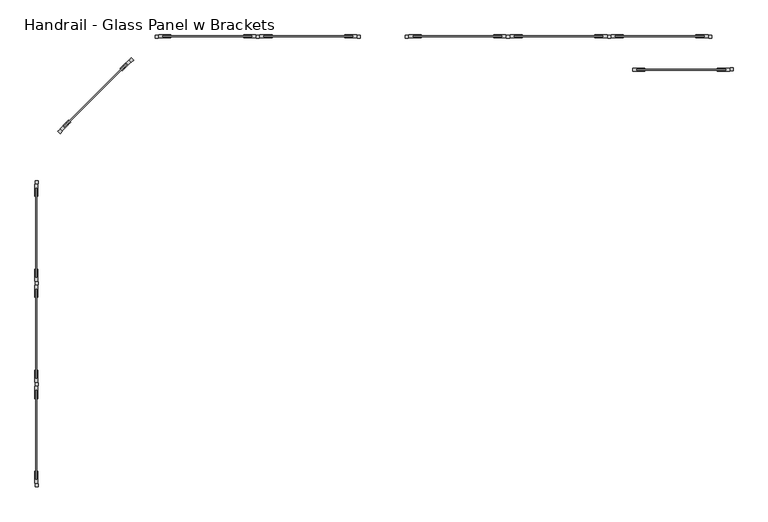
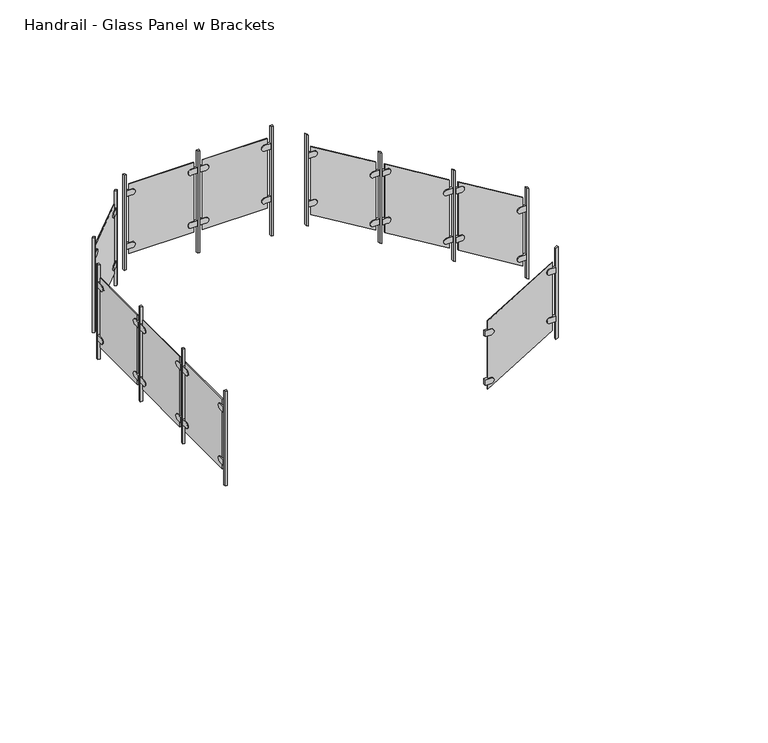
"""IFC4 building model written with IfcOpenShell, lengths in millimetres: railing geometry, Handrail - Glass Panel w Brackets."""

from ifc_helpers import new_model, si_unit, point, frame, frame_2d, origin, place, context, project, spatial, polyline, circle_curve, trimmed, segment, composite_curve, outline, extrude, source, transform, mapped, element, save


def handrail_glass_panel_w_brackets_f4bf2ac5(model_context):
    return source(origin(), model_context, "Body", "SweptSolid", [
        extrude(outline(polyline([(-5287.4266552, 6663.0086637), (-5287.4266552, 6643.9586637), (-5306.4766552, 6643.9586637), (-5306.4766552, 6663.0086637), (-5287.4266552, 6663.0086637)])), frame((0.0, 0.0, 3211.7376169), z_axis=(0.0, 0.0, 1.0), x_axis=(1.0, 0.0, 0.0)), (0.0, 0.0, 1.0), 863.6),
        extrude(outline(composite_curve([segment(trimmed(circle_curve(frame_2d((6716.9836637, 3897.5376169)), 25.4), [point((6716.9836637, 3922.9376169))], [point((6716.9836637, 3872.1376169))], False, "CARTESIAN"), True, "CONTINUOUS"), segment(polyline([(6716.9836637, 3872.1376169), (6666.1836637, 3872.1376169), (6666.1836637, 3922.9376169), (6716.9836637, 3922.9376169)]), True, "CONTINUOUS")], self_intersect=False)), frame((-5309.6516552, 0.0, 0.0), z_axis=(1.0, 0.0, 0.0), x_axis=(0.0, 1.0, 0.0)), (0.0, 0.0, 1.0), 19.05),
        extrude(outline(composite_curve([segment(polyline([(7224.9836637, 3922.9376169), (7275.7836637, 3922.9376169), (7275.7836637, 3872.1376169), (7224.9836637, 3872.1376169)]), True, "CONTINUOUS"), segment(trimmed(circle_curve(frame_2d((7224.9836637, 3897.5376169)), 25.4), [point((7224.9836637, 3872.1376169))], [point((7224.9836637, 3922.9376169))], False, "CARTESIAN"), True, "CONTINUOUS")], self_intersect=False)), frame((-5309.6516552, 0.0, 0.0), z_axis=(1.0, 0.0, 0.0), x_axis=(0.0, 1.0, 0.0)), (0.0, 0.0, 1.0), 19.05),
        extrude(outline(composite_curve([segment(trimmed(circle_curve(frame_2d((6716.9836637, 3414.9376169)), 25.4), [point((6716.9836637, 3440.3376169))], [point((6716.9836637, 3389.5376169))], False, "CARTESIAN"), True, "CONTINUOUS"), segment(polyline([(6716.9836637, 3389.5376169), (6666.1836637, 3389.5376169), (6666.1836637, 3440.3376169), (6716.9836637, 3440.3376169)]), True, "CONTINUOUS")], self_intersect=False)), frame((-5309.6516552, 0.0, 0.0), z_axis=(1.0, 0.0, 0.0), x_axis=(0.0, 1.0, 0.0)), (0.0, 0.0, 1.0), 19.05),
        extrude(outline(composite_curve([segment(polyline([(7224.9836637, 3440.3376169), (7275.7836637, 3440.3376169), (7275.7836637, 3389.5376169), (7224.9836637, 3389.5376169)]), True, "CONTINUOUS"), segment(trimmed(circle_curve(frame_2d((7224.9836637, 3414.9376169)), 25.4), [point((7224.9836637, 3389.5376169))], [point((7224.9836637, 3440.3376169))], False, "CARTESIAN"), True, "CONTINUOUS")], self_intersect=False)), frame((-5309.6516552, 0.0, 0.0), z_axis=(1.0, 0.0, 0.0), x_axis=(0.0, 1.0, 0.0)), (0.0, 0.0, 1.0), 19.05),
        extrude(outline(polyline([(-5303.3016552, 7250.3836637), (-5296.9516552, 7250.3836637), (-5296.9516552, 6691.5836637), (-5303.3016552, 6691.5836637), (-5303.3016552, 7250.3836637)])), frame((0.0, 0.0, 3338.7376169), z_axis=(0.0, 0.0, 1.0), x_axis=(1.0, 0.0, 0.0)), (0.0, 0.0, 1.0), 635.0),
        extrude(outline(polyline([(-5287.4266552, 7298.0086637), (-5287.4266552, 7278.9586637), (-5306.4766552, 7278.9586637), (-5306.4766552, 7298.0086637), (-5287.4266552, 7298.0086637)])), frame((0.0, 0.0, 3211.7376169), z_axis=(0.0, 0.0, 1.0), x_axis=(1.0, 0.0, 0.0)), (0.0, 0.0, 1.0), 863.6),
        extrude(outline(composite_curve([segment(trimmed(circle_curve(frame_2d((7351.9836637, 3897.5376169)), 25.4), [point((7351.9836637, 3922.9376169))], [point((7351.9836637, 3872.1376169))], False, "CARTESIAN"), True, "CONTINUOUS"), segment(polyline([(7351.9836637, 3872.1376169), (7301.1836637, 3872.1376169), (7301.1836637, 3922.9376169), (7351.9836637, 3922.9376169)]), True, "CONTINUOUS")], self_intersect=False)), frame((-5309.6516552, 0.0, 0.0), z_axis=(1.0, 0.0, 0.0), x_axis=(0.0, 1.0, 0.0)), (0.0, 0.0, 1.0), 19.05),
        extrude(outline(composite_curve([segment(polyline([(7859.9836637, 3922.9376169), (7910.7836637, 3922.9376169), (7910.7836637, 3872.1376169), (7859.9836637, 3872.1376169)]), True, "CONTINUOUS"), segment(trimmed(circle_curve(frame_2d((7859.9836637, 3897.5376169)), 25.4), [point((7859.9836637, 3872.1376169))], [point((7859.9836637, 3922.9376169))], False, "CARTESIAN"), True, "CONTINUOUS")], self_intersect=False)), frame((-5309.6516552, 0.0, 0.0), z_axis=(1.0, 0.0, 0.0), x_axis=(0.0, 1.0, 0.0)), (0.0, 0.0, 1.0), 19.05),
        extrude(outline(composite_curve([segment(trimmed(circle_curve(frame_2d((7351.9836637, 3414.9376169)), 25.4), [point((7351.9836637, 3440.3376169))], [point((7351.9836637, 3389.5376169))], False, "CARTESIAN"), True, "CONTINUOUS"), segment(polyline([(7351.9836637, 3389.5376169), (7301.1836637, 3389.5376169), (7301.1836637, 3440.3376169), (7351.9836637, 3440.3376169)]), True, "CONTINUOUS")], self_intersect=False)), frame((-5309.6516552, 0.0, 0.0), z_axis=(1.0, 0.0, 0.0), x_axis=(0.0, 1.0, 0.0)), (0.0, 0.0, 1.0), 19.05),
        extrude(outline(composite_curve([segment(polyline([(7859.9836637, 3440.3376169), (7910.7836637, 3440.3376169), (7910.7836637, 3389.5376169), (7859.9836637, 3389.5376169)]), True, "CONTINUOUS"), segment(trimmed(circle_curve(frame_2d((7859.9836637, 3414.9376169)), 25.4), [point((7859.9836637, 3389.5376169))], [point((7859.9836637, 3440.3376169))], False, "CARTESIAN"), True, "CONTINUOUS")], self_intersect=False)), frame((-5309.6516552, 0.0, 0.0), z_axis=(1.0, 0.0, 0.0), x_axis=(0.0, 1.0, 0.0)), (0.0, 0.0, 1.0), 19.05),
        extrude(outline(polyline([(-5303.3016552, 7885.3836637), (-5296.9516552, 7885.3836637), (-5296.9516552, 7326.5836637), (-5303.3016552, 7326.5836637), (-5303.3016552, 7885.3836637)])), frame((0.0, 0.0, 3338.7376169), z_axis=(0.0, 0.0, 1.0), x_axis=(1.0, 0.0, 0.0)), (0.0, 0.0, 1.0), 635.0),
        extrude(outline(polyline([(-5287.4266552, 7933.0086637), (-5287.4266552, 7913.9586637), (-5306.4766552, 7913.9586637), (-5306.4766552, 7933.0086637), (-5287.4266552, 7933.0086637)])), frame((0.0, 0.0, 3211.7376169), z_axis=(0.0, 0.0, 1.0), x_axis=(1.0, 0.0, 0.0)), (0.0, 0.0, 1.0), 863.6),
        extrude(outline(composite_curve([segment(trimmed(circle_curve(frame_2d((7986.9836637, 3897.5376169)), 25.4), [point((7986.9836637, 3922.9376169))], [point((7986.9836637, 3872.1376169))], False, "CARTESIAN"), True, "CONTINUOUS"), segment(polyline([(7986.9836637, 3872.1376169), (7936.1836637, 3872.1376169), (7936.1836637, 3922.9376169), (7986.9836637, 3922.9376169)]), True, "CONTINUOUS")], self_intersect=False)), frame((-5309.6516552, 0.0, 0.0), z_axis=(1.0, 0.0, 0.0), x_axis=(0.0, 1.0, 0.0)), (0.0, 0.0, 1.0), 19.05),
        extrude(outline(composite_curve([segment(polyline([(8494.9836637, 3922.9376169), (8545.7836637, 3922.9376169), (8545.7836637, 3872.1376169), (8494.9836637, 3872.1376169)]), True, "CONTINUOUS"), segment(trimmed(circle_curve(frame_2d((8494.9836637, 3897.5376169)), 25.4), [point((8494.9836637, 3872.1376169))], [point((8494.9836637, 3922.9376169))], False, "CARTESIAN"), True, "CONTINUOUS")], self_intersect=False)), frame((-5309.6516552, 0.0, 0.0), z_axis=(1.0, 0.0, 0.0), x_axis=(0.0, 1.0, 0.0)), (0.0, 0.0, 1.0), 19.05),
        extrude(outline(composite_curve([segment(trimmed(circle_curve(frame_2d((7986.9836637, 3414.9376169)), 25.4), [point((7986.9836637, 3440.3376169))], [point((7986.9836637, 3389.5376169))], False, "CARTESIAN"), True, "CONTINUOUS"), segment(polyline([(7986.9836637, 3389.5376169), (7936.1836637, 3389.5376169), (7936.1836637, 3440.3376169), (7986.9836637, 3440.3376169)]), True, "CONTINUOUS")], self_intersect=False)), frame((-5309.6516552, 0.0, 0.0), z_axis=(1.0, 0.0, 0.0), x_axis=(0.0, 1.0, 0.0)), (0.0, 0.0, 1.0), 19.05),
        extrude(outline(composite_curve([segment(polyline([(8494.9836637, 3440.3376169), (8545.7836637, 3440.3376169), (8545.7836637, 3389.5376169), (8494.9836637, 3389.5376169)]), True, "CONTINUOUS"), segment(trimmed(circle_curve(frame_2d((8494.9836637, 3414.9376169)), 25.4), [point((8494.9836637, 3389.5376169))], [point((8494.9836637, 3440.3376169))], False, "CARTESIAN"), True, "CONTINUOUS")], self_intersect=False)), frame((-5309.6516552, 0.0, 0.0), z_axis=(1.0, 0.0, 0.0), x_axis=(0.0, 1.0, 0.0)), (0.0, 0.0, 1.0), 19.05),
        extrude(outline(polyline([(-5303.3016552, 8520.3836637), (-5296.9516552, 8520.3836637), (-5296.9516552, 7961.5836637), (-5303.3016552, 7961.5836637), (-5303.3016552, 8520.3836637)])), frame((0.0, 0.0, 3338.7376169), z_axis=(0.0, 0.0, 1.0), x_axis=(1.0, 0.0, 0.0)), (0.0, 0.0, 1.0), 635.0),
        extrude(outline(polyline([(-5287.4266552, 8568.0086637), (-5287.4266552, 8548.9586637), (-5306.4766552, 8548.9586637), (-5306.4766552, 8568.0086637), (-5287.4266552, 8568.0086637)])), frame((0.0, 0.0, 3211.7376169), z_axis=(0.0, 0.0, 1.0), x_axis=(1.0, 0.0, 0.0)), (0.0, 0.0, 1.0), 863.6),
        extrude(outline(polyline([(-5138.3024485, 8877.7856075), (-5151.7728327, 8864.3152233), (-5165.2432169, 8877.7856075), (-5151.7728327, 8891.2559917), (-5138.3024485, 8877.7856075)])), frame((0.0, 0.0, 3211.7376169), z_axis=(0.0, 0.0, 1.0), x_axis=(1.0, 0.0, 0.0)), (0.0, 0.0, 1.0), 863.6),
        extrude(outline(composite_curve([segment(polyline([(50.8, 0.0), (0.0, 0.0), (0.0, 50.8), (50.8, 50.8)]), True, "CONTINUOUS"), segment(trimmed(circle_curve(frame_2d((50.8, 25.4)), 25.4), [point((50.8, 50.8))], [point((50.8, 0.0))], False, "CARTESIAN"), True, "CONTINUOUS")], self_intersect=False)), frame((-5138.3024485, 8882.2757355, 3922.9376169), z_axis=(-0.7071067811865468, 0.7071067811865482, 0.0), x_axis=(0.7071067811865482, 0.7071067811865468, 0.0)), (0.0, 0.0, 1.0), 19.05),
        extrude(outline(composite_curve([segment(trimmed(circle_curve(frame_2d((0.0, 25.4)), 25.4), [point((-25.4, 25.4))], [point((25.4, 25.4))], False, "CARTESIAN"), True, "CONTINUOUS"), segment(polyline([(25.4, 25.4), (25.4, -25.3999999), (-25.4, -25.3999999), (-25.4, 25.4)]), True, "CONTINUOUS")], self_intersect=False)), frame((-4725.2106669, 9295.3675171, 3897.5376169), z_axis=(-0.7071067811865468, 0.7071067811865482, 0.0), x_axis=(0.0, 0.0, -1.0)), (0.0, 0.0, 1.0), 19.05),
        extrude(outline(composite_curve([segment(polyline([(50.8, 0.0), (0.0, 0.0), (0.0, 50.8), (50.8, 50.8)]), True, "CONTINUOUS"), segment(trimmed(circle_curve(frame_2d((50.8, 25.4)), 25.4), [point((50.8, 50.8))], [point((50.8, 0.0))], False, "CARTESIAN"), True, "CONTINUOUS")], self_intersect=False)), frame((-5138.3024485, 8882.2757355, 3440.3376169), z_axis=(-0.7071067811865468, 0.7071067811865482, 0.0), x_axis=(0.7071067811865482, 0.7071067811865468, 0.0)), (0.0, 0.0, 1.0), 19.05),
        extrude(outline(composite_curve([segment(trimmed(circle_curve(frame_2d((0.0, 25.4)), 25.4), [point((-25.4, 25.4))], [point((25.4, 25.4))], False, "CARTESIAN"), True, "CONTINUOUS"), segment(polyline([(25.4, 25.4), (25.4, -25.3999999), (-25.4, -25.3999999), (-25.4, 25.4)]), True, "CONTINUOUS")], self_intersect=False)), frame((-4725.2106669, 9295.3675171, 3414.9376169), z_axis=(-0.7071067811865468, 0.7071067811865482, 0.0), x_axis=(0.0, 0.0, -1.0)), (0.0, 0.0, 1.0), 19.05),
        extrude(outline(polyline([(-4734.1909231, 9304.3477732), (-4729.700795, 9299.8576452), (-5124.8320643, 8904.7263758), (-5129.3221924, 8909.2165039), (-4734.1909231, 9304.3477732)])), frame((0.0, 0.0, 3338.7376169), z_axis=(0.0, 0.0, 1.0), x_axis=(1.0, 0.0, 0.0)), (0.0, 0.0, 1.0), 635.0),
        extrude(outline(polyline([(-4689.2896424, 9326.7984135), (-4702.7600266, 9313.3280293), (-4716.2304108, 9326.7984135), (-4702.7600266, 9340.2687977), (-4689.2896424, 9326.7984135)])), frame((0.0, 0.0, 3211.7376169), z_axis=(0.0, 0.0, 1.0), x_axis=(1.0, 0.0, 0.0)), (0.0, 0.0, 1.0), 863.6),
        extrude(outline(polyline([(-4533.7124636, 9462.452236), (-4552.7624636, 9462.452236), (-4552.7624636, 9481.502236), (-4533.7124636, 9481.502236), (-4533.7124636, 9462.452236)])), frame((0.0, 0.0, 3209.1598276), z_axis=(0.0, 0.0, 1.0), x_axis=(1.0, 0.0, 0.0)), (0.0, 0.0, 1.0), 866.1777892),
        extrude(outline(composite_curve([segment(polyline([(3922.9376169, -4479.7374636), (3922.9376169, -4530.5374636), (3872.1376169, -4530.5374636), (3872.1376169, -4479.7374636)]), True, "CONTINUOUS"), segment(trimmed(circle_curve(frame_2d((3897.5376169, -4479.7374636)), 25.4), [point((3872.1376169, -4479.7374636))], [point((3922.9376169, -4479.7374636))], False, "CARTESIAN"), True, "CONTINUOUS")], self_intersect=False)), frame((0.0, 9465.627236, 0.0), z_axis=(0.0, 1.0, 0.0), x_axis=(0.0, 0.0, 1.0)), (0.0, 0.0, 1.0), 19.05),
        extrude(outline(composite_curve([segment(trimmed(circle_curve(frame_2d((3897.5376169, -3971.7374636)), 25.4), [point((3922.9376169, -3971.7374636))], [point((3872.1376169, -3971.7374636))], False, "CARTESIAN"), True, "CONTINUOUS"), segment(polyline([(3872.1376169, -3971.7374636), (3872.1376169, -3920.9374636), (3922.9376169, -3920.9374636), (3922.9376169, -3971.7374636)]), True, "CONTINUOUS")], self_intersect=False)), frame((0.0, 9465.627236, 0.0), z_axis=(0.0, 1.0, 0.0), x_axis=(0.0, 0.0, 1.0)), (0.0, 0.0, 1.0), 19.05),
        extrude(outline(composite_curve([segment(polyline([(3440.3376169, -4479.7374636), (3440.3376169, -4530.5374636), (3389.5376169, -4530.5374636), (3389.5376169, -4479.7374636)]), True, "CONTINUOUS"), segment(trimmed(circle_curve(frame_2d((3414.9376169, -4479.7374636)), 25.4), [point((3389.5376169, -4479.7374636))], [point((3440.3376169, -4479.7374636))], False, "CARTESIAN"), True, "CONTINUOUS")], self_intersect=False)), frame((0.0, 9465.627236, 0.0), z_axis=(0.0, 1.0, 0.0), x_axis=(0.0, 0.0, 1.0)), (0.0, 0.0, 1.0), 19.05),
        extrude(outline(composite_curve([segment(trimmed(circle_curve(frame_2d((3414.9376169, -3971.7374636)), 25.4), [point((3440.3376169, -3971.7374636))], [point((3389.5376169, -3971.7374636))], False, "CARTESIAN"), True, "CONTINUOUS"), segment(polyline([(3389.5376169, -3971.7374636), (3389.5376169, -3920.9374636), (3440.3376169, -3920.9374636), (3440.3376169, -3971.7374636)]), True, "CONTINUOUS")], self_intersect=False)), frame((0.0, 9465.627236, 0.0), z_axis=(0.0, 1.0, 0.0), x_axis=(0.0, 0.0, 1.0)), (0.0, 0.0, 1.0), 19.05),
        extrude(outline(polyline([(-3946.3374636, 9478.327236), (-3946.3374636, 9471.977236), (-4505.1374636, 9471.977236), (-4505.1374636, 9478.327236), (-3946.3374636, 9478.327236)])), frame((0.0, 0.0, 3338.7376169), z_axis=(0.0, 0.0, 1.0), x_axis=(1.0, 0.0, 0.0)), (0.0, 0.0, 1.0), 635.0),
        extrude(outline(polyline([(-3898.7124636, 9462.452236), (-3917.7624636, 9462.452236), (-3917.7624636, 9481.502236), (-3898.7124636, 9481.502236), (-3898.7124636, 9462.452236)])), frame((0.0, 0.0, 3143.3278694), z_axis=(0.0, 0.0, 1.0), x_axis=(1.0, 0.0, 0.0)), (0.0, 0.0, 1.0), 932.0097474),
        extrude(outline(composite_curve([segment(polyline([(3922.9376169, -3844.7374636), (3922.9376169, -3895.5374636), (3872.1376169, -3895.5374636), (3872.1376169, -3844.7374636)]), True, "CONTINUOUS"), segment(trimmed(circle_curve(frame_2d((3897.5376169, -3844.7374636)), 25.4), [point((3872.1376169, -3844.7374636))], [point((3922.9376169, -3844.7374636))], False, "CARTESIAN"), True, "CONTINUOUS")], self_intersect=False)), frame((0.0, 9465.627236, 0.0), z_axis=(0.0, 1.0, 0.0), x_axis=(0.0, 0.0, 1.0)), (0.0, 0.0, 1.0), 19.05),
        extrude(outline(composite_curve([segment(trimmed(circle_curve(frame_2d((3897.5376169, -3336.7374636)), 25.4), [point((3922.9376169, -3336.7374636))], [point((3872.1376169, -3336.7374636))], False, "CARTESIAN"), True, "CONTINUOUS"), segment(polyline([(3872.1376169, -3336.7374636), (3872.1376169, -3285.9374636), (3922.9376169, -3285.9374636), (3922.9376169, -3336.7374636)]), True, "CONTINUOUS")], self_intersect=False)), frame((0.0, 9465.627236, 0.0), z_axis=(0.0, 1.0, 0.0), x_axis=(0.0, 0.0, 1.0)), (0.0, 0.0, 1.0), 19.05),
        extrude(outline(composite_curve([segment(polyline([(3440.3376169, -3844.7374636), (3440.3376169, -3895.5374636), (3389.5376169, -3895.5374636), (3389.5376169, -3844.7374636)]), True, "CONTINUOUS"), segment(trimmed(circle_curve(frame_2d((3414.9376169, -3844.7374636)), 25.4), [point((3389.5376169, -3844.7374636))], [point((3440.3376169, -3844.7374636))], False, "CARTESIAN"), True, "CONTINUOUS")], self_intersect=False)), frame((0.0, 9465.627236, 0.0), z_axis=(0.0, 1.0, 0.0), x_axis=(0.0, 0.0, 1.0)), (0.0, 0.0, 1.0), 19.05),
        extrude(outline(composite_curve([segment(trimmed(circle_curve(frame_2d((3414.9376169, -3336.7374636)), 25.4), [point((3440.3376169, -3336.7374636))], [point((3389.5376169, -3336.7374636))], False, "CARTESIAN"), True, "CONTINUOUS"), segment(polyline([(3389.5376169, -3336.7374636), (3389.5376169, -3285.9374636), (3440.3376169, -3285.9374636), (3440.3376169, -3336.7374636)]), True, "CONTINUOUS")], self_intersect=False)), frame((0.0, 9465.627236, 0.0), z_axis=(0.0, 1.0, 0.0), x_axis=(0.0, 0.0, 1.0)), (0.0, 0.0, 1.0), 19.05),
        extrude(outline(polyline([(-3311.3374636, 9478.327236), (-3311.3374636, 9471.977236), (-3870.1374636, 9471.977236), (-3870.1374636, 9478.327236), (-3311.3374636, 9478.327236)])), frame((0.0, 0.0, 3338.7376169), z_axis=(0.0, 0.0, 1.0), x_axis=(1.0, 0.0, 0.0)), (0.0, 0.0, 1.0), 635.0),
        extrude(outline(polyline([(-3263.7124636, 9462.452236), (-3282.7624636, 9462.452236), (-3282.7624636, 9481.502236), (-3263.7124636, 9481.502236), (-3263.7124636, 9462.452236)])), frame((0.0, 0.0, 3077.4959113), z_axis=(0.0, 0.0, 1.0), x_axis=(1.0, 0.0, 0.0)), (0.0, 0.0, 1.0), 997.8417056),
        extrude(outline(polyline([(3898.2764391, -2980.9351891), (3069.9753322, -2980.9351891), (3058.4298777, -2961.8851891), (3886.7309846, -2961.8851891), (3898.2764391, -2980.9351891)])), frame((0.0, 9462.452236, 0.0), z_axis=(0.0, 1.0, 0.0), x_axis=(0.0, 0.0, 1.0)), (0.0, 0.0, 1.0), 19.05),
        extrude(outline(composite_curve([segment(polyline([(3719.5045517, -2907.9101891), (3719.5045517, -2958.7101891), (3668.7045517, -2958.7101891), (3668.7045517, -2907.9101891)]), True, "CONTINUOUS"), segment(trimmed(circle_curve(frame_2d((3694.1045517, -2907.9101891)), 25.4), [point((3668.7045517, -2907.9101891))], [point((3719.5045517, -2907.9101891))], False, "CARTESIAN"), True, "CONTINUOUS")], self_intersect=False)), frame((0.0, 9465.627236, 0.0), z_axis=(0.0, 1.0, 0.0), x_axis=(0.0, 0.0, 1.0)), (0.0, 0.0, 1.0), 19.05),
        extrude(outline(composite_curve([segment(trimmed(circle_curve(frame_2d((3324.6500063, -2399.9101891)), 25.4), [point((3350.0500063, -2399.9101891))], [point((3299.2500063, -2399.9101891))], False, "CARTESIAN"), True, "CONTINUOUS"), segment(polyline([(3299.2500063, -2399.9101891), (3299.2500063, -2349.1101891), (3350.0500063, -2349.1101891), (3350.0500063, -2399.9101891)]), True, "CONTINUOUS")], self_intersect=False)), frame((0.0, 9465.627236, 0.0), z_axis=(0.0, 1.0, 0.0), x_axis=(0.0, 0.0, 1.0)), (0.0, 0.0, 1.0), 19.05),
        extrude(outline(composite_curve([segment(polyline([(3275.6111229, -2907.9101891), (3275.6111229, -2958.7101891), (3224.8111229, -2958.7101891), (3224.8111229, -2907.9101891)]), True, "CONTINUOUS"), segment(trimmed(circle_curve(frame_2d((3250.2111229, -2907.9101891)), 25.4), [point((3224.8111229, -2907.9101891))], [point((3275.6111229, -2907.9101891))], False, "CARTESIAN"), True, "CONTINUOUS")], self_intersect=False)), frame((0.0, 9465.627236, 0.0), z_axis=(0.0, 1.0, 0.0), x_axis=(0.0, 0.0, 1.0)), (0.0, 0.0, 1.0), 19.05),
        extrude(outline(composite_curve([segment(trimmed(circle_curve(frame_2d((2880.7565774, -2399.9101891)), 25.4), [point((2906.1565774, -2399.9101891))], [point((2855.3565774, -2399.9101891))], False, "CARTESIAN"), True, "CONTINUOUS"), segment(polyline([(2855.3565774, -2399.9101891), (2855.3565774, -2349.1101891), (2906.1565774, -2349.1101891), (2906.1565774, -2399.9101891)]), True, "CONTINUOUS")], self_intersect=False)), frame((0.0, 9465.627236, 0.0), z_axis=(0.0, 1.0, 0.0), x_axis=(0.0, 0.0, 1.0)), (0.0, 0.0, 1.0), 19.05),
        extrude(outline(polyline([(3429.1461361, -2374.5101891), (3767.8128027, -2933.3101891), (3145.7149931, -2933.3101891), (2807.0483264, -2374.5101891), (3429.1461361, -2374.5101891)])), frame((0.0, 9471.977236, 0.0), z_axis=(0.0, 1.0, 0.0), x_axis=(0.0, 0.0, 1.0)), (0.0, 0.0, 1.0), 6.35),
        extrude(outline(polyline([(3513.4279543, -2345.9351891), (2685.1268474, -2345.9351891), (2673.5813928, -2326.8851891), (3501.8824997, -2326.8851891), (3513.4279543, -2345.9351891)])), frame((0.0, 9462.452236, 0.0), z_axis=(0.0, 1.0, 0.0), x_axis=(0.0, 0.0, 1.0)), (0.0, 0.0, 1.0), 19.05),
        extrude(outline(composite_curve([segment(polyline([(3334.6560669, -2272.9101891), (3334.6560669, -2323.7101891), (3283.8560669, -2323.7101891), (3283.8560669, -2272.9101891)]), True, "CONTINUOUS"), segment(trimmed(circle_curve(frame_2d((3309.2560669, -2272.9101891)), 25.4), [point((3283.8560669, -2272.9101891))], [point((3334.6560669, -2272.9101891))], False, "CARTESIAN"), True, "CONTINUOUS")], self_intersect=False)), frame((0.0, 9465.627236, 0.0), z_axis=(0.0, 1.0, 0.0), x_axis=(0.0, 0.0, 1.0)), (0.0, 0.0, 1.0), 19.05),
        extrude(outline(composite_curve([segment(trimmed(circle_curve(frame_2d((2939.8015214, -1764.9101891)), 25.4), [point((2965.2015214, -1764.9101891))], [point((2914.4015214, -1764.9101891))], False, "CARTESIAN"), True, "CONTINUOUS"), segment(polyline([(2914.4015214, -1764.9101891), (2914.4015214, -1714.1101891), (2965.2015214, -1714.1101891), (2965.2015214, -1764.9101891)]), True, "CONTINUOUS")], self_intersect=False)), frame((0.0, 9465.627236, 0.0), z_axis=(0.0, 1.0, 0.0), x_axis=(0.0, 0.0, 1.0)), (0.0, 0.0, 1.0), 19.05),
        extrude(outline(composite_curve([segment(polyline([(2890.762638, -2272.9101891), (2890.762638, -2323.7101891), (2839.962638, -2323.7101891), (2839.962638, -2272.9101891)]), True, "CONTINUOUS"), segment(trimmed(circle_curve(frame_2d((2865.362638, -2272.9101891)), 25.4), [point((2839.962638, -2272.9101891))], [point((2890.762638, -2272.9101891))], False, "CARTESIAN"), True, "CONTINUOUS")], self_intersect=False)), frame((0.0, 9465.627236, 0.0), z_axis=(0.0, 1.0, 0.0), x_axis=(0.0, 0.0, 1.0)), (0.0, 0.0, 1.0), 19.05),
        extrude(outline(composite_curve([segment(trimmed(circle_curve(frame_2d((2495.9080926, -1764.9101891)), 25.4), [point((2521.3080926, -1764.9101891))], [point((2470.5080926, -1764.9101891))], False, "CARTESIAN"), True, "CONTINUOUS"), segment(polyline([(2470.5080926, -1764.9101891), (2470.5080926, -1714.1101891), (2521.3080926, -1714.1101891), (2521.3080926, -1764.9101891)]), True, "CONTINUOUS")], self_intersect=False)), frame((0.0, 9465.627236, 0.0), z_axis=(0.0, 1.0, 0.0), x_axis=(0.0, 0.0, 1.0)), (0.0, 0.0, 1.0), 19.05),
        extrude(outline(polyline([(3044.2976512, -1739.5101891), (3382.9643179, -2298.3101891), (2760.8665083, -2298.3101891), (2422.1998416, -1739.5101891), (3044.2976512, -1739.5101891)])), frame((0.0, 9471.977236, 0.0), z_axis=(0.0, 1.0, 0.0), x_axis=(0.0, 0.0, 1.0)), (0.0, 0.0, 1.0), 6.35),
        extrude(outline(polyline([(3128.5794694, -1710.9351891), (2300.2783625, -1710.9351891), (2288.732908, -1691.8851891), (3117.0340149, -1691.8851891), (3128.5794694, -1710.9351891)])), frame((0.0, 9462.452236, 0.0), z_axis=(0.0, 1.0, 0.0), x_axis=(0.0, 0.0, 1.0)), (0.0, 0.0, 1.0), 19.05),
        extrude(outline(composite_curve([segment(polyline([(2949.8075821, -1637.9101891), (2949.8075821, -1688.7101891), (2899.0075821, -1688.7101891), (2899.0075821, -1637.9101891)]), True, "CONTINUOUS"), segment(trimmed(circle_curve(frame_2d((2924.4075821, -1637.9101891)), 25.4), [point((2899.0075821, -1637.9101891))], [point((2949.8075821, -1637.9101891))], False, "CARTESIAN"), True, "CONTINUOUS")], self_intersect=False)), frame((0.0, 9465.627236, 0.0), z_axis=(0.0, 1.0, 0.0), x_axis=(0.0, 0.0, 1.0)), (0.0, 0.0, 1.0), 19.05),
        extrude(outline(composite_curve([segment(trimmed(circle_curve(frame_2d((2554.9530366, -1129.9101891)), 25.4), [point((2580.3530366, -1129.9101891))], [point((2529.5530366, -1129.9101891))], False, "CARTESIAN"), True, "CONTINUOUS"), segment(polyline([(2529.5530366, -1129.9101891), (2529.5530366, -1079.1101891), (2580.3530366, -1079.1101891), (2580.3530366, -1129.9101891)]), True, "CONTINUOUS")], self_intersect=False)), frame((0.0, 9465.627236, 0.0), z_axis=(0.0, 1.0, 0.0), x_axis=(0.0, 0.0, 1.0)), (0.0, 0.0, 1.0), 19.05),
        extrude(outline(composite_curve([segment(polyline([(2505.9141532, -1637.9101891), (2505.9141532, -1688.7101891), (2455.1141532, -1688.7101891), (2455.1141532, -1637.9101891)]), True, "CONTINUOUS"), segment(trimmed(circle_curve(frame_2d((2480.5141532, -1637.9101891)), 25.4), [point((2455.1141532, -1637.9101891))], [point((2505.9141532, -1637.9101891))], False, "CARTESIAN"), True, "CONTINUOUS")], self_intersect=False)), frame((0.0, 9465.627236, 0.0), z_axis=(0.0, 1.0, 0.0), x_axis=(0.0, 0.0, 1.0)), (0.0, 0.0, 1.0), 19.05),
        extrude(outline(composite_curve([segment(trimmed(circle_curve(frame_2d((2111.0596077, -1129.9101891)), 25.4), [point((2136.4596077, -1129.9101891))], [point((2085.6596077, -1129.9101891))], False, "CARTESIAN"), True, "CONTINUOUS"), segment(polyline([(2085.6596077, -1129.9101891), (2085.6596077, -1079.1101891), (2136.4596077, -1079.1101891), (2136.4596077, -1129.9101891)]), True, "CONTINUOUS")], self_intersect=False)), frame((0.0, 9465.627236, 0.0), z_axis=(0.0, 1.0, 0.0), x_axis=(0.0, 0.0, 1.0)), (0.0, 0.0, 1.0), 19.05),
        extrude(outline(polyline([(2659.4491664, -1104.5101891), (2998.115833, -1663.3101891), (2376.0180234, -1663.3101891), (2037.3513568, -1104.5101891), (2659.4491664, -1104.5101891)])), frame((0.0, 9471.977236, 0.0), z_axis=(0.0, 1.0, 0.0), x_axis=(0.0, 0.0, 1.0)), (0.0, 0.0, 1.0), 6.35),
        extrude(outline(polyline([(2743.7309846, -1075.9351891), (1915.4298777, -1075.9351891), (1903.8844231, -1056.8851891), (2732.18553, -1056.8851891), (2743.7309846, -1075.9351891)])), frame((0.0, 9462.452236, 0.0), z_axis=(0.0, 1.0, 0.0), x_axis=(0.0, 0.0, 1.0)), (0.0, 0.0, 1.0), 19.05),
        extrude(outline(polyline([(2265.4682367, -940.8516552), (1437.1671298, -940.8516552), (1448.7125844, -921.8016552), (2277.0136913, -921.8016552), (2265.4682367, -940.8516552)])), frame((0.0, 9259.252236, 0.0), z_axis=(0.0, 1.0, 0.0), x_axis=(0.0, 0.0, 1.0)), (0.0, 0.0, 1.0), 19.05),
        extrude(outline(composite_curve([segment(trimmed(circle_curve(frame_2d((2072.8418039, -994.8266552)), 25.4), [point((2098.2418039, -994.8266552))], [point((2047.4418039, -994.8266552))], False, "CARTESIAN"), True, "CONTINUOUS"), segment(polyline([(2047.4418039, -994.8266552), (2047.4418039, -944.0266552), (2098.2418039, -944.0266552), (2098.2418039, -994.8266552)]), True, "CONTINUOUS")], self_intersect=False)), frame((0.0, 9256.077236, 0.0), z_axis=(0.0, 1.0, 0.0), x_axis=(0.0, 0.0, 1.0)), (0.0, 0.0, 1.0), 19.05),
        extrude(outline(composite_curve([segment(polyline([(1728.7872585, -1502.8266552), (1728.7872585, -1553.6266552), (1677.9872585, -1553.6266552), (1677.9872585, -1502.8266552)]), True, "CONTINUOUS"), segment(trimmed(circle_curve(frame_2d((1703.3872585, -1502.8266552)), 25.4), [point((1677.9872585, -1502.8266552))], [point((1728.7872585, -1502.8266552))], False, "CARTESIAN"), True, "CONTINUOUS")], self_intersect=False)), frame((0.0, 9256.077236, 0.0), z_axis=(0.0, 1.0, 0.0), x_axis=(0.0, 0.0, 1.0)), (0.0, 0.0, 1.0), 19.05),
        extrude(outline(composite_curve([segment(trimmed(circle_curve(frame_2d((1628.9483751, -994.8266552)), 25.4), [point((1654.3483751, -994.8266552))], [point((1603.5483751, -994.8266552))], False, "CARTESIAN"), True, "CONTINUOUS"), segment(polyline([(1603.5483751, -994.8266552), (1603.5483751, -944.0266552), (1654.3483751, -944.0266552), (1654.3483751, -994.8266552)]), True, "CONTINUOUS")], self_intersect=False)), frame((0.0, 9256.077236, 0.0), z_axis=(0.0, 1.0, 0.0), x_axis=(0.0, 0.0, 1.0)), (0.0, 0.0, 1.0), 19.05),
        extrude(outline(composite_curve([segment(polyline([(1284.8938296, -1502.8266552), (1284.8938296, -1553.6266552), (1234.0938296, -1553.6266552), (1234.0938296, -1502.8266552)]), True, "CONTINUOUS"), segment(trimmed(circle_curve(frame_2d((1259.4938296, -1502.8266552)), 25.4), [point((1234.0938296, -1502.8266552))], [point((1284.8938296, -1502.8266552))], False, "CARTESIAN"), True, "CONTINUOUS")], self_intersect=False)), frame((0.0, 9256.077236, 0.0), z_axis=(0.0, 1.0, 0.0), x_axis=(0.0, 0.0, 1.0)), (0.0, 0.0, 1.0), 19.05),
        extrude(outline(polyline([(1807.8833882, -1528.2266552), (1185.7855786, -1528.2266552), (1524.4522453, -969.4266552), (2146.5500549, -969.4266552), (1807.8833882, -1528.2266552)])), frame((0.0, 9262.427236, 0.0), z_axis=(0.0, 1.0, 0.0), x_axis=(0.0, 0.0, 1.0)), (0.0, 0.0, 1.0), 6.35),
    ])


if __name__ == "__main__":
    model = new_model("IFC4")
    model_context = context("Model", 3, world=origin())
    ifc_project = project(units=[si_unit("LENGTHUNIT", "METRE", prefix="MILLI")], contexts=[model_context])
    site = spatial("IfcSite", under=ifc_project)
    building = spatial("IfcBuilding", under=site)
    placement = place(None, origin())
    handrail_glass_panel_w_brackets_shape = handrail_glass_panel_w_brackets_f4bf2ac5(model_context)
    element("IfcRailing", 1, ObjectType="Handrail - Glass Panel w Brackets", at=placement, inside=building, context=model_context, shape_type="MappedRepresentation", body=[
        mapped(handrail_glass_panel_w_brackets_shape, transform((0.0, 0.0, 0.0), x_axis=(1.0, 0.0, 0.0), y_axis=(0.0, 1.0, 0.0), z_axis=(0.0, 0.0, 1.0))),
    ])
    save(model, "model.ifc")
